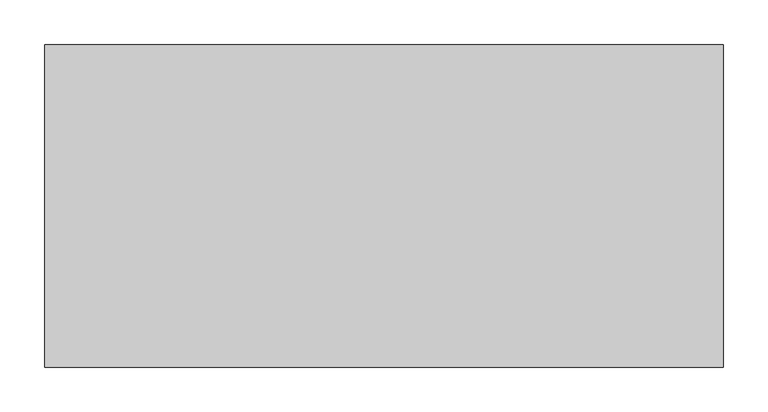
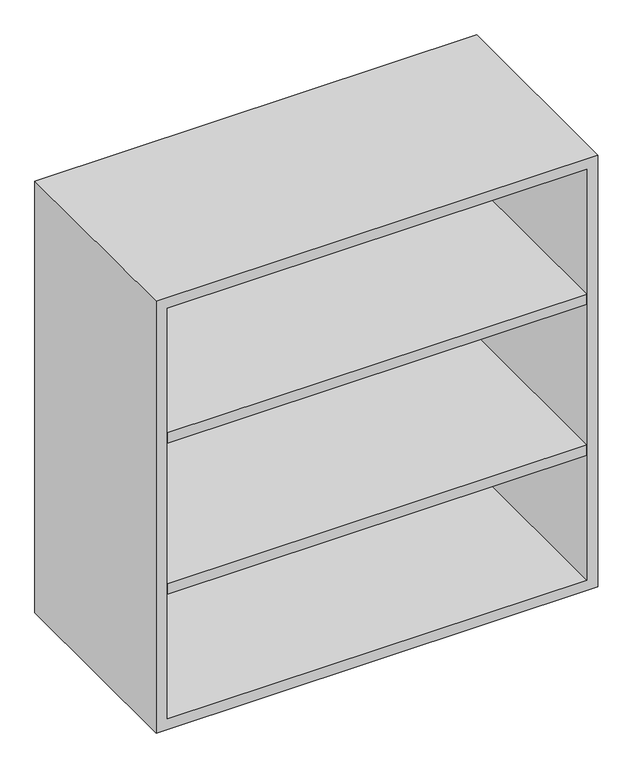
"""IFC4 building model written with IfcOpenShell, lengths in millimetres: furniture geometry."""

from ifc_helpers import new_model, si_unit, frame, origin, place, context, project, spatial, polyline, outline, extrude, source, transform, mapped, element, save


def furniture_4ebb1f6d(model_context):
    return source(origin(), model_context, "Body", "SweptSolid", [
        extrude(outline(polyline([(361.9569453, 161.925), (361.9569453, -180.975), (-361.9291641, -180.975), (-361.9291641, 161.925), (361.9569453, 161.925)])), frame((0.0, 0.0, 1258.3583333), z_axis=(0.0, 0.0, 1.0), x_axis=(1.0, 0.0, 0.0)), (0.0, 0.0, 1.0), 19.05),
        extrude(outline(polyline([(361.9569453, 161.925), (361.9569453, -180.975), (-361.9291641, -180.975), (-361.9291641, 161.925), (361.9569453, 161.925)])), frame((0.0, 0.0, 983.1916667), z_axis=(0.0, 0.0, 1.0), x_axis=(1.0, 0.0, 0.0)), (0.0, 0.0, 1.0), 19.05),
        extrude(outline(polyline([(736.6, -380.9861094), (736.6, 381.0138906), (1524.0, 381.0138906), (1524.0, -380.9861094), (736.6, -380.9861094)]), holes=[polyline([(755.65, -361.9361094), (1504.95, -361.9361094), (1504.95, 361.9569453), (755.65, 361.9569453), (755.65, -361.9361094)])]), frame((0.0, -180.975, 0.0), z_axis=(0.0, 1.0, 0.0), x_axis=(0.0, 0.0, 1.0)), (0.0, 0.0, 1.0), 361.95),
        extrude(outline(polyline([(-361.9291641, 161.925), (-361.9291641, 180.975), (361.9569453, 180.975), (361.9569453, 161.925), (-361.9291641, 161.925)])), frame((0.0, 0.0, 755.65), z_axis=(0.0, 0.0, 1.0), x_axis=(1.0, 0.0, 0.0)), (0.0, 0.0, 1.0), 749.3),
    ])


if __name__ == "__main__":
    model = new_model("IFC4")
    model_context = context("Model", 3, world=origin())
    ifc_project = project(units=[si_unit("LENGTHUNIT", "METRE", prefix="MILLI")], contexts=[model_context])
    site = spatial("IfcSite", under=ifc_project)
    building = spatial("IfcBuilding", under=site)
    placement = place(None, origin())
    furniture_shape = furniture_4ebb1f6d(model_context)
    element("IfcFurniture", 1, at=placement, inside=building, context=model_context, shape_type="MappedRepresentation", body=[
        mapped(furniture_shape, transform((0.0, 0.0, 0.0), x_axis=(1.0, 0.0, 0.0), y_axis=(0.0, 1.0, 0.0), z_axis=(0.0, 0.0, 1.0))),
    ])
    save(model, "model.ifc")
